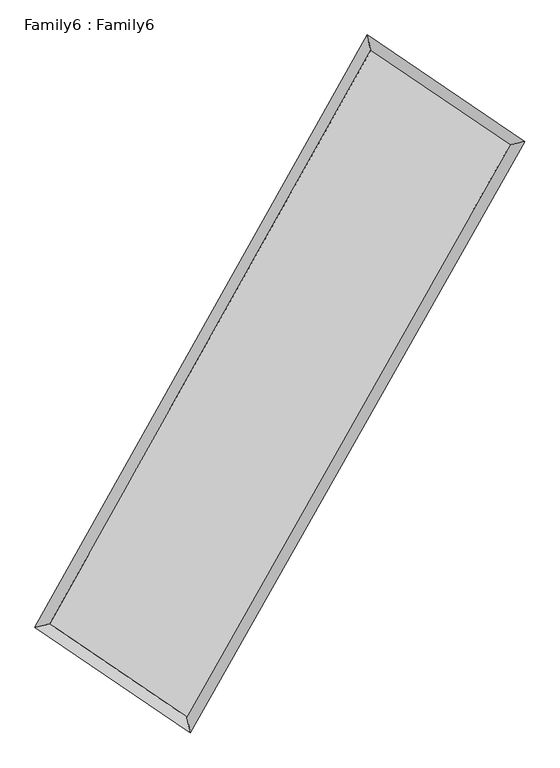
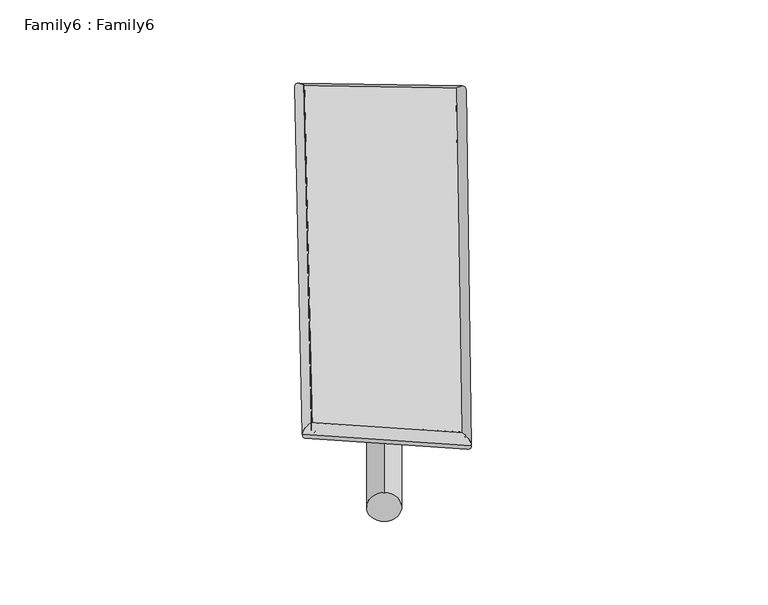
"""IFC4 building model written with IfcOpenShell, lengths in millimetres: plate geometry, Family6 : Family6."""

from ifc_helpers import new_model, si_unit, point, frame, origin, origin_2d, place, context, project, spatial, circle_curve, ellipse_curve, trimmed, segment, composite_curve, outline, extrude, source, transform, mapped, element, save
from ifc_brep_helpers import plane_surface, cylinder_surface, spline_surface, advanced_brep


def family6_family6_ffa1b126(model_context):
    return source(origin(), model_context, "Body", "SolidModel", [
        extrude(outline(composite_curve([segment(trimmed(circle_curve(origin_2d(), 76.2), [point((-75.4341514, -10.7763074))], [point((75.4341514, 10.7763074))], False, "CARTESIAN"), True, "CONTINUOUS"), segment(trimmed(circle_curve(origin_2d(), 76.2), [point((75.4341514, 10.7763074))], [point((-75.4341514, -10.7763074))], False, "CARTESIAN"), True, "CONTINUOUS")], self_intersect=False)), frame((9144.0, 9144.0, 0.0), z_axis=(0.6676640113614075, 0.6874971186733088, 0.28560896300482724), x_axis=(-0.6806692999070507, 0.7191225689810153, -0.13982859130446282)), (0.0, 0.0, 1.0), 5470.1565531),
        extrude(outline(composite_curve([segment(trimmed(circle_curve(origin_2d(), 76.2), [point((-53.8815368, 53.8815367))], [point((53.8815368, -53.8815367))], False, "CARTESIAN"), True, "CONTINUOUS"), segment(trimmed(circle_curve(origin_2d(), 76.2), [point((53.8815368, -53.8815367))], [point((-53.8815368, 53.8815367))], False, "CARTESIAN"), True, "CONTINUOUS")], self_intersect=False)), frame((9144.0, 9144.0, 0.0), z_axis=(-0.6648495112166108, -0.6900649160029599, 0.2859817111929742), x_axis=(0.6516387384846275, -0.3486458508418143, 0.6736564593299398)), (0.0, 0.0, 1.0), 5464.0358115),
        extrude(outline(composite_curve([segment(trimmed(circle_curve(origin_2d(), 76.2), [point((-53.8815367, -53.8815367))], [point((53.8815367, 53.8815367))], False, "CARTESIAN"), True, "CONTINUOUS"), segment(trimmed(circle_curve(origin_2d(), 76.2), [point((53.8815367, 53.8815367))], [point((-53.8815367, -53.8815367))], False, "CARTESIAN"), True, "CONTINUOUS")], self_intersect=False)), frame((9144.0, 9144.0, 0.0), z_axis=(0.2533718131175178, 0.9311313036378893, 0.2622922410273445), x_axis=(-0.8423071024152576, 0.3456926195246375, -0.4135400319521765)), (0.0, 0.0, 1.0), 5650.7352071),
        extrude(outline(composite_curve([segment(trimmed(circle_curve(origin_2d(), 76.2), [point((-75.4341515, 10.7763073))], [point((75.4341515, -10.7763073))], False, "CARTESIAN"), True, "CONTINUOUS"), segment(trimmed(circle_curve(origin_2d(), 76.2), [point((75.4341515, -10.7763073))], [point((-75.4341515, 10.7763073))], False, "CARTESIAN"), True, "CONTINUOUS")], self_intersect=False)), frame((9144.0, 9144.0, 0.0), z_axis=(-0.2566831992398334, -0.9302183554784762, 0.26231192568947975), x_axis=(0.8850207510152269, -0.11715551444602368, 0.45056947933402164)), (0.0, 0.0, 1.0), 5648.556913),
        advanced_brep(
        [(5310.2292476, 5326.2437278, 1556.6061147), (5310.062167, 5325.9848487, 1570.3698386), (5712.2476753, 5420.6774457, 1568.6225081), (10627.5257157, 14186.6707923, 1490.5231771), (10523.948334, 14624.4820874, 1473.7648248), (5712.4147559, 5420.9363247, 1554.8587842), (12594.2838295, 12857.3118605, 1561.5426874), (12998.1695046, 12952.1218773, 1563.1087938), (7642.9454499, 4108.6185091, 1483.2839207), (7745.2752311, 3670.598846, 1480.0837618)],
        [
            (0, 1, ellipse_curve(frame((5511.2384615, 5373.4605867, 1562.6143114), z_axis=(-0.22908703141574868, 0.973282125658588, 0.015525331256374172), x_axis=(-0.9729054105783611, -0.2294515253212166, 0.028408794327064946)), 206.8549585, 152.4)),
            (1, 2, ellipse_curve(frame((5511.2384615, 5373.4605867, 1562.6143114), z_axis=(-0.22908703141574868, 0.973282125658588, 0.015525331256374172), x_axis=(-0.9729054105783611, -0.2294515253212166, 0.028408794327064946)), 206.8549585, 152.4)),
            (2, 3),
            (3, 4, ellipse_curve(frame((10575.7370249, 14405.5764399, 1482.1440009), z_axis=(-0.9728670653273374, -0.23078658341570465, -0.01634705223214067), x_axis=(0.23033466127114435, -0.9727748531174913, 0.025593533545611412)), 225.1223512, 152.4)),
            (4, 0),
            (2, 5, ellipse_curve(frame((5511.2384615, 5373.4605867, 1562.6143114), z_axis=(-0.22908703141574868, 0.973282125658588, 0.015525331256374172), x_axis=(-0.9729054105783611, -0.2294515253212166, 0.028408794327064946)), 206.8549585, 152.4)),
            (5, 0, ellipse_curve(frame((5511.2384615, 5373.4605867, 1562.6143114), z_axis=(-0.22908703141574868, 0.973282125658588, 0.015525331256374172), x_axis=(-0.9729054105783611, -0.2294515253212166, 0.028408794327064946)), 206.8549585, 152.4)),
            (4, 3, ellipse_curve(frame((10575.7370249, 14405.5764399, 1482.1440009), z_axis=(-0.9728670653273374, -0.23078658341570465, -0.01634705223214067), x_axis=(0.23033466127114435, -0.9727748531174913, 0.025593533545611412)), 225.1223512, 152.4)),
            (3, 6),
            (6, 7, ellipse_curve(frame((12796.226667, 12904.7168689, 1562.3257406), z_axis=(-0.22845123030597672, 0.973438917028119, -0.01505689831300432), x_axis=(-0.9730782120198629, -0.22879610683171614, -0.02776931383517459)), 207.4847208, 152.4)),
            (7, 4),
            (7, 6, ellipse_curve(frame((12796.226667, 12904.7168689, 1562.3257406), z_axis=(-0.22845123030597672, 0.973438917028119, -0.01505689831300432), x_axis=(-0.9730782120198629, -0.22879610683171614, -0.02776931383517459)), 207.4847208, 152.4)),
            (6, 8),
            (8, 9, ellipse_curve(frame((7694.1103405, 3889.6086775, 1481.6838412), z_axis=(0.9736136246154665, 0.22757806813156112, -0.01687402941327451), x_axis=(-0.22710346162677184, 0.9735201847660235, 0.026124080275958896)), 224.9606055, 152.4)),
            (9, 7),
            (9, 8, ellipse_curve(frame((7694.1103405, 3889.6086775, 1481.6838412), z_axis=(0.9736136246154665, 0.22757806813156112, -0.01687402941327451), x_axis=(-0.22710346162677184, 0.9735201847660235, 0.026124080275958896)), 224.9606055, 152.4)),
            (8, 5),
            (1, 9),
        ],
        [
            cylinder_surface(frame((5511.2384615, 5373.4605867, 1562.6143114), z_axis=(-0.48906738878317946, -0.8722113868122345, 0.007770839329247416), x_axis=(-0.8714696358568446, 0.4882368850249476, -0.046534050765809)), 152.4),
            cylinder_surface(frame((10575.7370249, 14405.5764399, 1482.1440009), z_axis=(-0.8281269273990124, 0.559742410566245, -0.029903610654242598), x_axis=(0.5604083283976904, 0.8279114767713036, -0.02247425400021034)), 152.4),
            cylinder_surface(frame((12796.226667, 12904.7168689, 1562.3257406), z_axis=(0.49252662517522133, 0.8702625594813584, 0.007784668166477241), x_axis=(0.8702949619149927, -0.49252662517522133, -0.0020500631425820768)), 152.4),
            cylinder_surface(frame((7694.1103405, 3889.6086775, 1481.6838412), z_axis=(0.8266262642974109, -0.5619161491947132, -0.030647356295311436), x_axis=(-0.5614571634726467, -0.8271926307661619, 0.022764120703552135)), 152.4),
        ],
        [
            (0, [[1, 2, 3, 4, 5]]),
            (0, [[6, 7, -5, 8, -3]]),
            (1, [[-4, 9, 10, 11]]),
            (1, [[-8, -11, 12, -9]]),
            (2, [[-10, 13, 14, 15]]),
            (2, [[-12, -15, 16, -13]]),
            (3, [[-14, 17, -6, -2, 18]]),
            (3, [[-16, -18, -1, -7, -17]]),
        ],
    ),
        extrude(outline(composite_curve([segment(trimmed(circle_curve(origin_2d(), 304.8), [point((0.0, 304.8))], [point((0.0, -304.8))], False, "CARTESIAN"), True, "CONTINUOUS"), segment(trimmed(circle_curve(origin_2d(), 304.8), [point((0.0, -304.8))], [point((0.0, 304.8))], False, "CARTESIAN"), True, "CONTINUOUS")], self_intersect=False)), frame((11728.8733881, 13637.4202454, -0.0274246), z_axis=(-0.4986388135500082, -0.8668098601154998, 5.29037952885883e-06), x_axis=(-0.8668098601304922, 0.49863881355000816, -1.413099763323623e-06)), (0.0, 0.0, 1.0), 10367.7183479),
        advanced_brep(
        [(5511.2384615, 5373.4605867, 1562.6143114), (7694.1103405, 3889.6086775, 1481.6838412), (7694.0968433, 3889.6143686, 1634.0838405), (5511.2249643, 5373.4662777, 1715.0143107), (12796.226667, 12904.7168689, 1562.3257406), (12796.2131699, 12904.72256, 1714.7257399), (10575.7370249, 14405.5764399, 1482.1440009), (10575.7235277, 14405.5821309, 1634.5440002)],
        [
            (0, 1),
            (1, 2),
            (2, 3),
            (3, 0),
            (1, 4),
            (4, 5),
            (5, 2),
            (4, 6),
            (6, 7),
            (7, 5),
            (6, 0),
            (3, 7),
        ],
        [
            plane_surface(frame((6602.674401, 4631.5346321, 1522.1490763), z_axis=(-0.5621807073584774, -0.8270144206218443, -1.8906018674769154e-05), x_axis=(0.8266262642974109, -0.5619161491947133, -0.030647356295311415))),
            plane_surface(frame((10245.1685037, 8397.1627732, 1522.0047909), z_axis=(0.8702885600642604, -0.49254219424018364, 9.546906272804058e-05), x_axis=(0.49252662517522144, 0.8702625594813584, 0.007784668166477248))),
            plane_surface(frame((11685.9818459, 13655.1466544, 1522.2348708), z_axis=(0.5599923840991616, 0.8284977546154607, 1.8656820392998902e-05), x_axis=(-0.8281269273990122, 0.559742410566245, -0.029903610654242595))),
            plane_surface(frame((8043.4877432, 9889.5185133, 1522.3791562), z_axis=(-0.8722380816938167, 0.48908150621389845, -9.551248872816196e-05), x_axis=(-0.4890673887831797, -0.8722113868122345, 0.007770839329247413))),
            spline_surface(1, 1, [[(7694.0968433, 3889.6143686, 1634.0838405), (5511.2249643, 5373.4662777, 1715.0143107)], [(12796.2131699, 12904.72256, 1714.7257399), (10575.7235277, 14405.5821309, 1634.5440002)]], [2, 2], [2, 2], [0.0, 1.0], [0.0, 1.0]),
            spline_surface(1, 1, [[(10575.7370249, 14405.5764399, 1482.1440009), (5511.2384615, 5373.4605867, 1562.6143114)], [(12796.226667, 12904.7168689, 1562.3257406), (7694.1103405, 3889.6086775, 1481.6838412)]], [2, 2], [2, 2], [0.0, 1.0], [0.0, 1.0]),
        ],
        [
            (0, [[1, 2, 3, 4]]),
            (1, [[5, 6, 7, -2]]),
            (2, [[8, 9, 10, -6]]),
            (3, [[11, -4, 12, -9]]),
            (4, [[-3, -7, -10, -12]]),
            (5, [[-11, -8, -5, -1]]),
        ],
    ),
    ])


if __name__ == "__main__":
    model = new_model("IFC4")
    model_context = context("Model", 3, world=origin())
    ifc_project = project(units=[si_unit("LENGTHUNIT", "METRE", prefix="MILLI")], contexts=[model_context])
    site = spatial("IfcSite", under=ifc_project)
    building = spatial("IfcBuilding", under=site)
    placement = place(None, origin())
    family6_family6_shape = family6_family6_ffa1b126(model_context)
    element("IfcPlate", 1, ObjectType="Family6 : Family6", at=placement, inside=building, context=model_context, shape_type="MappedRepresentation", body=[
        mapped(family6_family6_shape, transform((0.0, 0.0, 0.0), x_axis=(1.0, 0.0, 0.0), y_axis=(0.0, 1.0, 0.0), z_axis=(0.0, 0.0, 1.0))),
    ])
    save(model, "model.ifc")
